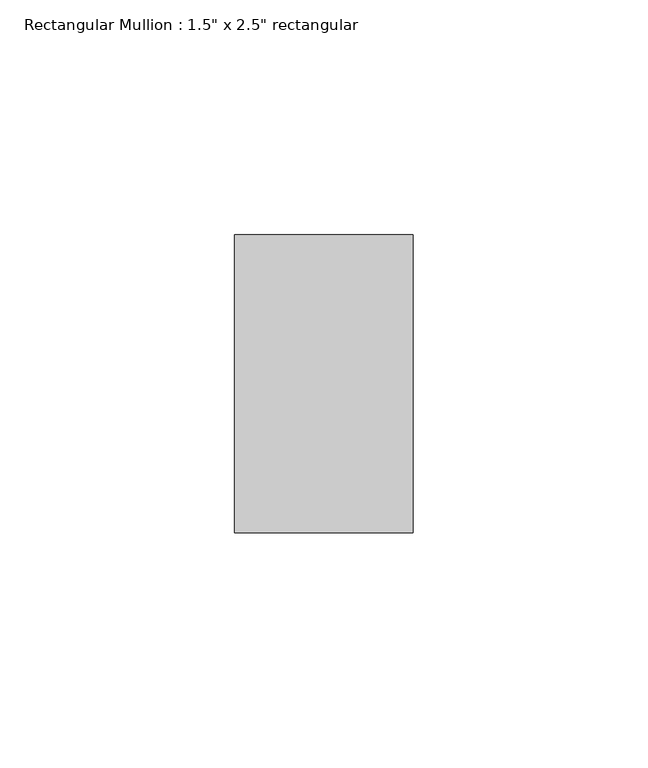
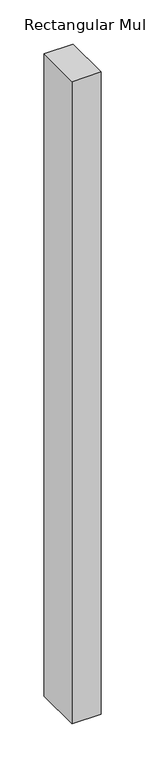
"""IFC4 building model written with IfcOpenShell, lengths in millimetres: member geometry."""

from ifc_helpers import new_model, si_unit, frame, origin, place, context, project, spatial, polyline, outline, extrude, source, transform, mapped, element, save


def member_faecc7c1(model_context):
    return source(origin(), model_context, "Body", "SweptSolid", [
        extrude(outline(polyline([(0.0, 31.75), (0.0, -31.75), (-38.1, -31.75), (-38.1, 31.75), (0.0, 31.75)])), frame((0.0, 0.0, -889.0), z_axis=(0.0, 0.0, 1.0), x_axis=(1.0, 0.0, 0.0)), (0.0, 0.0, 1.0), 889.0),
    ])


if __name__ == "__main__":
    model = new_model("IFC4")
    model_context = context("Model", 3, world=origin())
    ifc_project = project(units=[si_unit("LENGTHUNIT", "METRE", prefix="MILLI")], contexts=[model_context])
    site = spatial("IfcSite", under=ifc_project)
    building = spatial("IfcBuilding", under=site)
    placement = place(None, origin())
    member_shape = member_faecc7c1(model_context)
    element("IfcMember", 1, ObjectType="Rectangular Mullion : 1.5\" x 2.5\" rectangular", at=placement, inside=building, context=model_context, shape_type="MappedRepresentation", body=[
        mapped(member_shape, transform((0.0, 0.0, 0.0), x_axis=(1.0, 0.0, 0.0), y_axis=(0.0, 1.0, 0.0), z_axis=(0.0, 0.0, 1.0))),
    ])
    save(model, "model.ifc")
